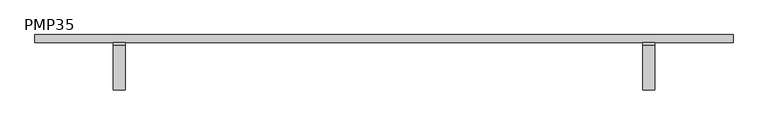
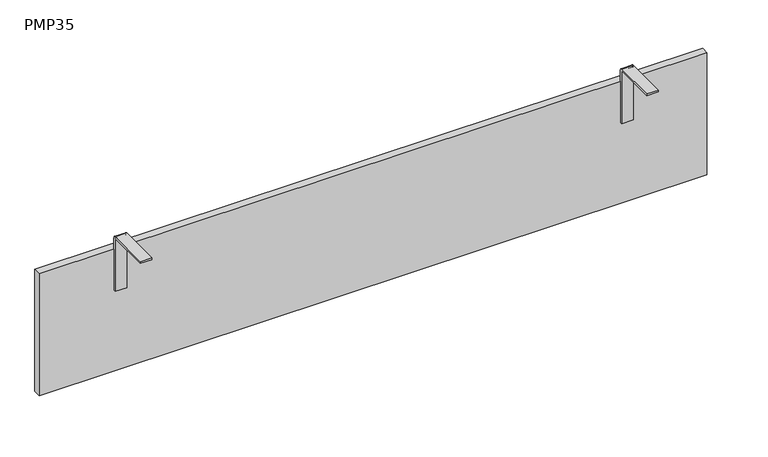
"""IFC4 building model written with IfcOpenShell, lengths in millimetres: furniture geometry, PMP35."""

from ifc_helpers import new_model, si_unit, point, frame, frame_2d, origin, origin_with_axes, place, context, project, spatial, polyline, circle_curve, trimmed, segment, composite_curve, outline, extrude, source, transform, mapped, element, save


def pmp35_cbee0783(model_context):
    return source(origin(), model_context, "Body", "SweptSolid", [
        extrude(outline(composite_curve([segment(polyline([(0.0, 306.0), (0.0, 185.0), (-4.0, 185.0), (-4.0, 306.0)]), True, "CONTINUOUS"), segment(trimmed(circle_curve(frame_2d((-5.0, 306.0)), 1.0), [point((-4.0, 306.0))], [point((-5.0, 307.0))], True, "CARTESIAN"), True, "CONTINUOUS"), segment(polyline([(-5.0, 307.0), (-99.0, 307.0), (-99.0, 311.0), (-5.0, 311.0)]), True, "CONTINUOUS"), segment(trimmed(circle_curve(frame_2d((-5.0, 306.0)), 5.0), [point((-5.0, 311.0))], [point((0.0, 306.0))], False, "CARTESIAN"), True, "CONTINUOUS")], self_intersect=False)), frame((162.5, 0.0, 0.0), z_axis=(1.0, 0.0, 0.0), x_axis=(0.0, 1.0, 0.0)), (0.0, 0.0, 1.0), 25.0),
        extrude(outline(composite_curve([segment(polyline([(0.0, 306.0), (0.0, 185.0), (-4.0, 185.0), (-4.0, 306.0)]), True, "CONTINUOUS"), segment(trimmed(circle_curve(frame_2d((-5.0, 306.0)), 1.0), [point((-4.0, 306.0))], [point((-5.0, 307.0))], True, "CARTESIAN"), True, "CONTINUOUS"), segment(polyline([(-5.0, 307.0), (-99.0, 307.0), (-99.0, 311.0), (-5.0, 311.0)]), True, "CONTINUOUS"), segment(trimmed(circle_curve(frame_2d((-5.0, 306.0)), 5.0), [point((-5.0, 311.0))], [point((0.0, 306.0))], False, "CARTESIAN"), True, "CONTINUOUS")], self_intersect=False)), frame((1262.5, 0.0, 0.0), z_axis=(1.0, 0.0, 0.0), x_axis=(0.0, 1.0, 0.0)), (0.0, 0.0, 1.0), 25.0),
        extrude(outline(polyline([(1450.0, 16.0), (1450.0, 0.0), (0.0, 0.0), (0.0, 16.0), (1450.0, 16.0)])), origin_with_axes(), (0.0, 0.0, 1.0), 280.0),
    ])


if __name__ == "__main__":
    model = new_model("IFC4")
    model_context = context("Model", 3, world=origin())
    ifc_project = project(units=[si_unit("LENGTHUNIT", "METRE", prefix="MILLI")], contexts=[model_context])
    site = spatial("IfcSite", under=ifc_project)
    building = spatial("IfcBuilding", under=site)
    placement = place(None, origin())
    pmp35_shape = pmp35_cbee0783(model_context)
    element("IfcFurniture", 1, ObjectType="PMP35", at=placement, inside=building, context=model_context, shape_type="MappedRepresentation", body=[
        mapped(pmp35_shape, transform((0.0, 0.0, 0.0), x_axis=(1.0, 0.0, 0.0), y_axis=(0.0, 1.0, 0.0), z_axis=(0.0, 0.0, 1.0))),
    ])
    save(model, "model.ifc")
